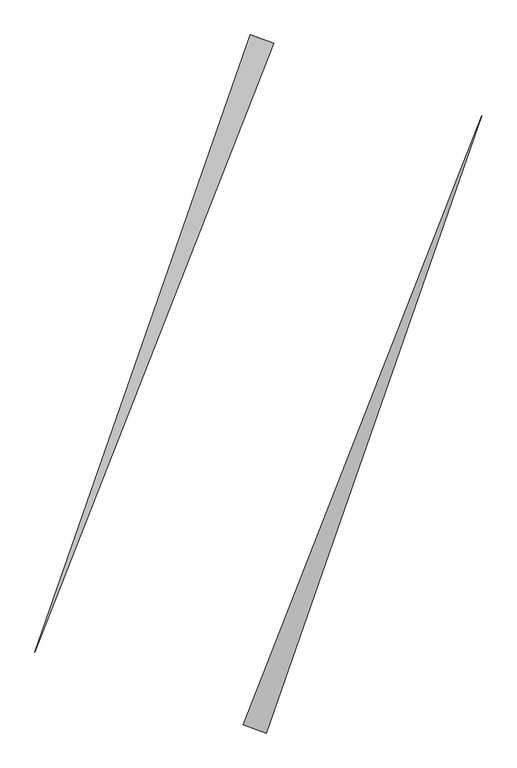
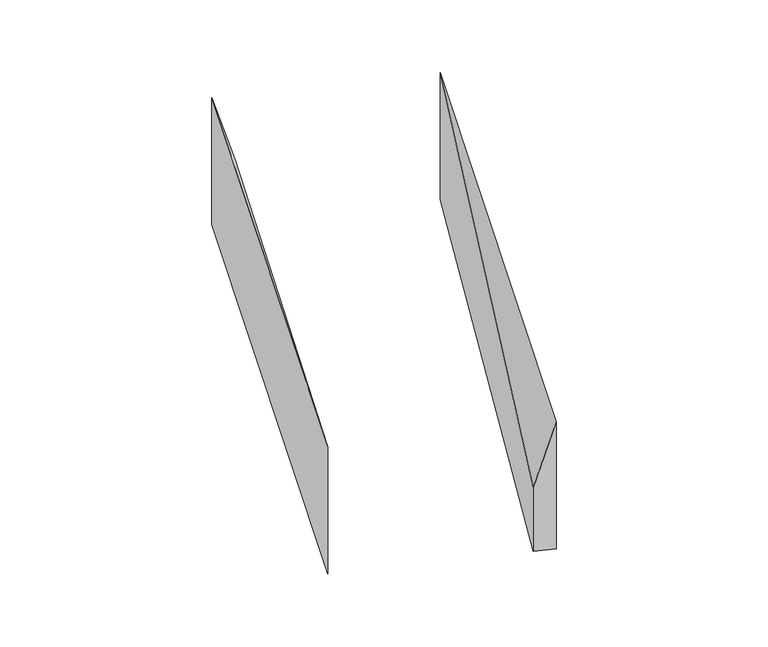
"""IFC4 building model written with IfcOpenShell, lengths in millimetres: proxy geometry."""

from ifc_helpers import new_model, si_unit, origin, place, context, project, spatial, faceted_brep, source, transform, mapped, element, save


def generic_models_f2d3739d(model_context):
    return source(origin(), model_context, "Body", "Brep", [
        faceted_brep([(92.9106165, 2085.9931969, 0.0), (-48.7031458, 2135.4456218, 0.0), (-48.7031458, 2135.4456218, 1000.0), (92.9106165, 2085.9931969, 500.0), (-1367.4344771, -1640.9213725, 0.0), (-1367.4344771, -1640.9213725, 1000.0)], [[[0, 1, 2, 3]], [[1, 4, 5, 2]], [[4, 0, 3, 5]], [[3, 2, 5]], [[0, 4, 1]]]),
        faceted_brep([(48.7031458, -2135.4456218, 0.0), (1367.4344771, 1640.9213725, 0.0), (1367.4344771, 1640.9213725, 1000.0), (48.7031458, -2135.4456218, 1000.0), (-92.9106165, -2085.9931969, 0.0), (-92.9106165, -2085.9931969, 500.0)], [[[0, 1, 2, 3]], [[1, 4, 5, 2]], [[4, 0, 3, 5]], [[2, 5, 3]], [[0, 4, 1]]]),
    ])


if __name__ == "__main__":
    model = new_model("IFC4")
    model_context = context("Model", 3, world=origin())
    ifc_project = project(units=[si_unit("LENGTHUNIT", "METRE", prefix="MILLI")], contexts=[model_context])
    site = spatial("IfcSite", under=ifc_project)
    building = spatial("IfcBuilding", under=site)
    placement = place(None, origin())
    generic_models_shape = generic_models_f2d3739d(model_context)
    element("IfcBuildingElementProxy", 1, Name="Generic Models", at=placement, inside=building, context=model_context, shape_type="MappedRepresentation", body=[
        mapped(generic_models_shape, transform((0.0, 0.0, 0.0), x_axis=(1.0, 0.0, 0.0), y_axis=(0.0, 1.0, 0.0), z_axis=(0.0, 0.0, 1.0))),
    ])
    save(model, "model.ifc")
